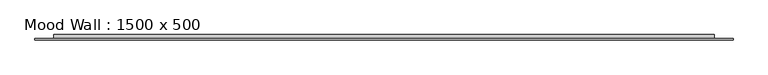
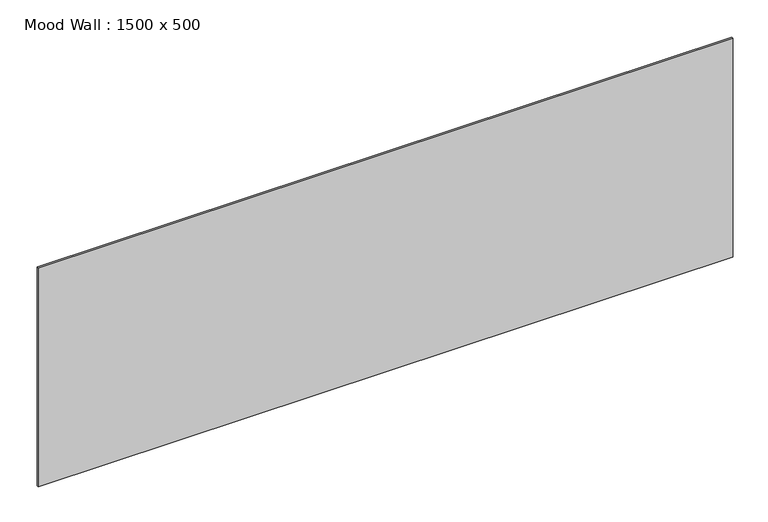
"""IFC4 building model written with IfcOpenShell, lengths in millimetres: furniture geometry, Mood Wall : 1500 x 500."""

from ifc_helpers import new_model, si_unit, frame, origin, origin_with_axes, place, context, project, spatial, polyline, outline, extrude, source, transform, mapped, element, save


def mood_wall_1500_x_500_01603377(model_context):
    return source(origin(), model_context, "Body", "SweptSolid", [
        extrude(outline(polyline([(749.9945313, -8.0), (749.9945313, -12.0), (-749.9945312, -12.0), (-749.9945312, -8.0), (749.9945313, -8.0)])), origin_with_axes(), (0.0, 0.0, 1.0), 499.9632813),
        extrude(outline(polyline([(709.9945313, 0.0), (709.9945313, -8.0), (-709.9945312, -8.0), (-709.9945312, 0.0), (709.9945313, 0.0)])), frame((0.0, 0.0, 40.0), z_axis=(0.0, 0.0, 1.0), x_axis=(1.0, 0.0, 0.0)), (0.0, 0.0, 1.0), 419.9632812),
    ])


if __name__ == "__main__":
    model = new_model("IFC4")
    model_context = context("Model", 3, world=origin())
    ifc_project = project(units=[si_unit("LENGTHUNIT", "METRE", prefix="MILLI")], contexts=[model_context])
    site = spatial("IfcSite", under=ifc_project)
    building = spatial("IfcBuilding", under=site)
    placement = place(None, origin())
    mood_wall_1500_x_500_shape = mood_wall_1500_x_500_01603377(model_context)
    element("IfcFurniture", 1, ObjectType="Mood Wall : 1500 x 500", at=placement, inside=building, context=model_context, shape_type="MappedRepresentation", body=[
        mapped(mood_wall_1500_x_500_shape, transform((0.0, 0.0, 0.0), x_axis=(1.0, 0.0, 0.0), y_axis=(0.0, 1.0, 0.0), z_axis=(0.0, 0.0, 1.0))),
    ])
    save(model, "model.ifc")
